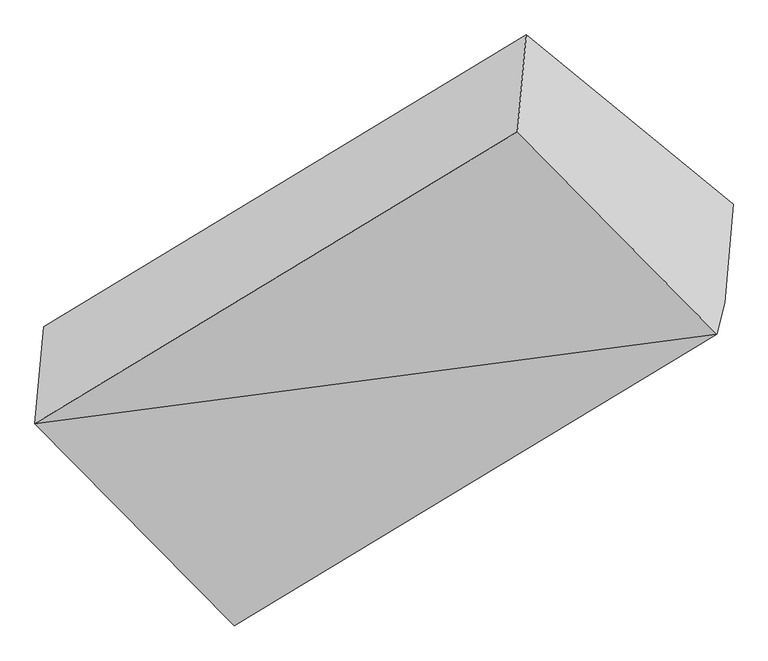
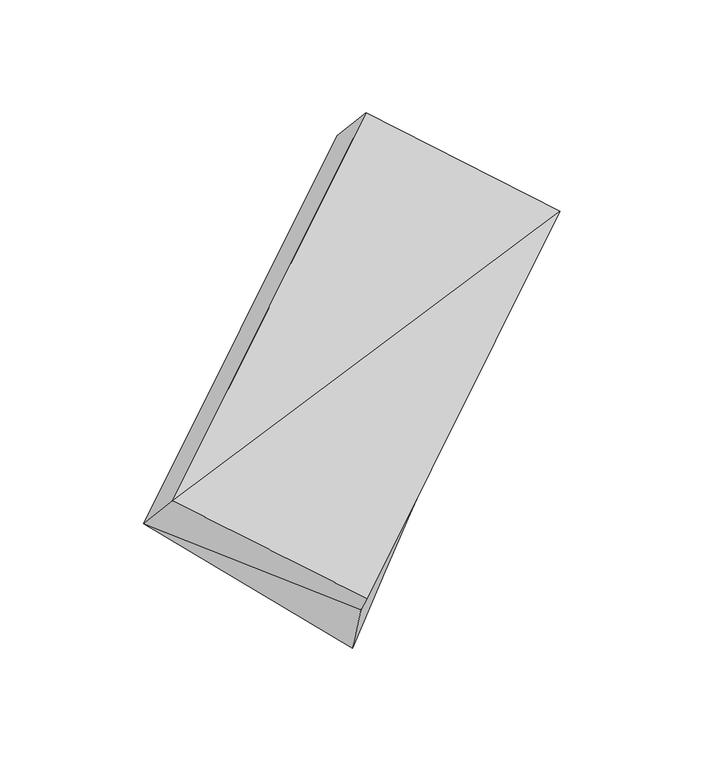
"""IFC4 building model written with IfcOpenShell, lengths in millimetres: proxy geometry."""

from ifc_helpers import new_model, si_unit, frame, origin, place, context, project, spatial, source, transform, mapped, element, save
from ifc_brep_helpers import plane_surface, spline_surface, advanced_brep


def generic_models_74cd11d3(model_context):
    return source(origin(), model_context, "Body", "AdvancedBrep", [
        advanced_brep(
        [(-3793.4594886, -1474.9040565, 1501.3205433), (-3817.6430306, -1741.0694936, 1779.7683433), (-2491.7186028, -939.2493856, 2661.3782846), (-2467.5350608, -673.0839485, 2382.9304847), (-3270.3181747, -2296.9242935, 1462.1496009), (-1944.3937468, -1495.1041854, 2343.7595423), (-3247.9798434, -2211.1613078, 1350.5521461), (-1922.0554155, -1409.3411998, 2232.1620874), (-3168.4721187, -2009.8589542, 1020.0696754), (-1899.294047, -1137.6275061, 1950.8070958)],
        [
            (0, 1),
            (1, 2),
            (2, 3),
            (3, 0),
            (1, 4),
            (4, 5),
            (5, 1),
            (4, 6),
            (6, 7),
            (7, 5),
            (6, 8),
            (8, 9),
            (9, 7),
            (8, 0),
            (3, 9),
            (2, 5),
            (0, 6),
        ],
        [
            plane_surface(frame((-3805.5512596, -1607.9867751, 1640.5444433), z_axis=(-0.6655159880652672, 0.5675632950971207, 0.48472711466144547), x_axis=(-0.0626587999835217, -0.6896263122818649, 0.7214495299001455))),
            plane_surface(frame((-3543.9806027, -2018.9968936, 1620.9589721), z_axis=(-0.1567523744457397, -0.601815392945104, 0.7831008401987276), x_axis=(0.6498202433684951, -0.6599475565128731, -0.37709796334798484))),
            plane_surface(frame((-3259.149009, -2254.0428007, 1406.3508735), z_axis=(0.6498202433684925, -0.6599475565128735, -0.3770979633479886), x_axis=(0.15675237444574033, 0.6018153929451068, -0.7831008401987252))),
            spline_surface(1, 1, [[(-3247.9798434, -2211.1613078, 1350.5521461), (-1922.0554155, -1409.3411998, 2232.1620874)], [(-3168.4721187, -2009.8589542, 1020.0696754), (-1899.294047, -1137.6275061, 1950.8070958)]], [2, 2], [2, 2], [0.0, 1.0], [0.0, 1.0]),
            spline_surface(1, 1, [[(-3168.4721187, -2009.8589542, 1020.0696754), (-1899.294047, -1137.6275061, 1950.8070958)], [(-3793.4594886, -1474.9040565, 1501.3205433), (-2467.5350608, -673.0839485, 2382.9304847)]], [2, 2], [2, 2], [0.0, 1.0], [0.0, 1.0]),
            plane_surface(frame((-2144.9993746, -1130.8812451, 2314.207499), z_axis=(0.7437488449833944, 0.44976377740656004, 0.49452017159955075), x_axis=(0.05809439279142442, 0.6935014508235876, -0.7181091694385853))),
            plane_surface(frame((-3817.6430306, -1741.0694936, 1779.7683433), z_axis=(-0.15675237444573978, -0.6018153929451038, 0.7831008401987274), x_axis=(0.6498202433684949, -0.6599475565128732, -0.3770979633479848))),
            plane_surface(frame((-3532.3501343, -1931.0147879, 1523.4476584), z_axis=(-0.7437488449833937, -0.44976377740656004, -0.49452017159955197), x_axis=(-0.1567523744457385, -0.601815392945107, 0.7831008401987254))),
            plane_surface(frame((-3403.3038169, -1898.6414395, 1290.6474549), z_axis=(-0.7545258085187692, -0.4639701451506216, -0.46413630399701433), x_axis=(-0.20126101411617522, -0.5095645234745759, 0.8365632077811318))),
        ],
        [
            (0, [[1, 2, 3, 4]]),
            (1, [[5, 6, 7]]),
            (2, [[8, 9, 10, -6]]),
            (3, [[11, 12, 13, -9]]),
            (4, [[14, -4, 15, -12]]),
            (5, [[-13, -15, -3, 16, -10]]),
            (6, [[-16, -2, -7]]),
            (7, [[-8, -5, -1, 17]]),
            (8, [[-11, -17, -14]]),
        ],
    ),
    ])


if __name__ == "__main__":
    model = new_model("IFC4")
    model_context = context("Model", 3, world=origin())
    ifc_project = project(units=[si_unit("LENGTHUNIT", "METRE", prefix="MILLI")], contexts=[model_context])
    site = spatial("IfcSite", under=ifc_project)
    building = spatial("IfcBuilding", under=site)
    placement = place(None, origin())
    generic_models_shape = generic_models_74cd11d3(model_context)
    element("IfcBuildingElementProxy", 1, Name="Generic Models", at=placement, inside=building, context=model_context, shape_type="MappedRepresentation", body=[
        mapped(generic_models_shape, transform((0.0, 0.0, 0.0), x_axis=(1.0, 0.0, 0.0), y_axis=(0.0, 1.0, 0.0), z_axis=(0.0, 0.0, 1.0))),
    ])
    save(model, "model.ifc")
